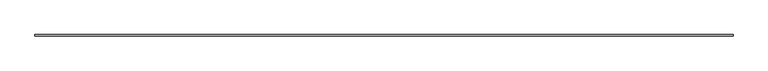
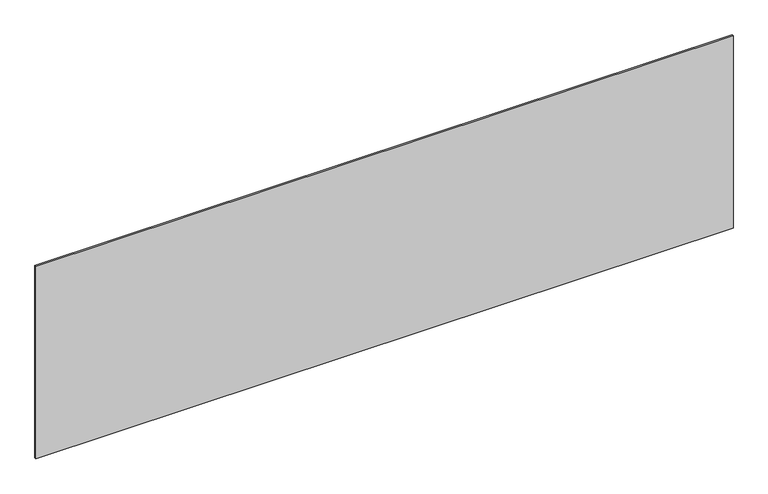
"""IFC4 building model written with IfcOpenShell, lengths in millimetres: plate geometry."""

from ifc_helpers import new_model, si_unit, origin, origin_with_axes, place, context, project, spatial, polyline, outline, extrude, source, transform, mapped, element, save


def plate_d95853d9(model_context):
    return source(origin(), model_context, "Body", "SweptSolid", [
        extrude(outline(polyline([(2264.1666667, -5.0), (-2264.1666667, -5.0), (-2264.1666667, 5.0), (2264.1666667, 5.0), (2264.1666667, -5.0)])), origin_with_axes(), (0.0, 0.0, 1.0), 1322.2777309),
    ])


if __name__ == "__main__":
    model = new_model("IFC4")
    model_context = context("Model", 3, world=origin())
    ifc_project = project(units=[si_unit("LENGTHUNIT", "METRE", prefix="MILLI")], contexts=[model_context])
    site = spatial("IfcSite", under=ifc_project)
    building = spatial("IfcBuilding", under=site)
    placement = place(None, origin())
    plate_shape = plate_d95853d9(model_context)
    element("IfcPlate", 1, at=placement, inside=building, context=model_context, shape_type="MappedRepresentation", body=[
        mapped(plate_shape, transform((0.0, 0.0, 0.0), x_axis=(1.0, 0.0, 0.0), y_axis=(0.0, 1.0, 0.0), z_axis=(0.0, 0.0, 1.0))),
    ])
    save(model, "model.ifc")
